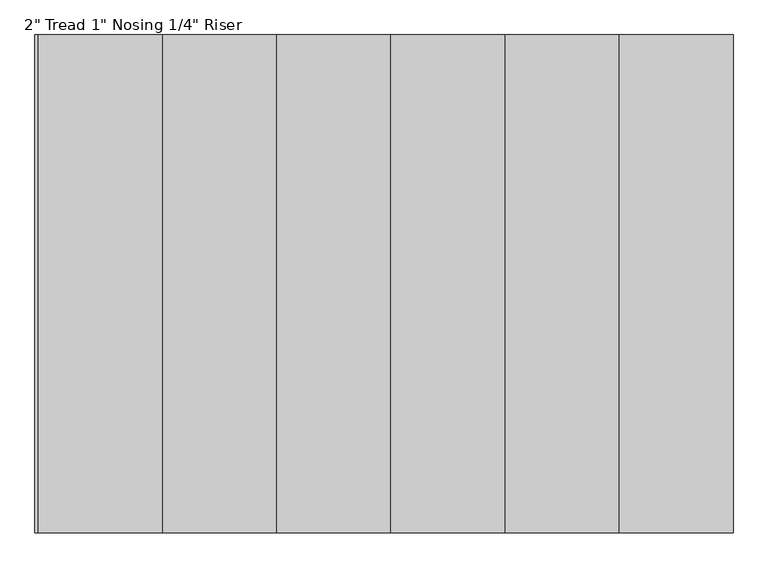
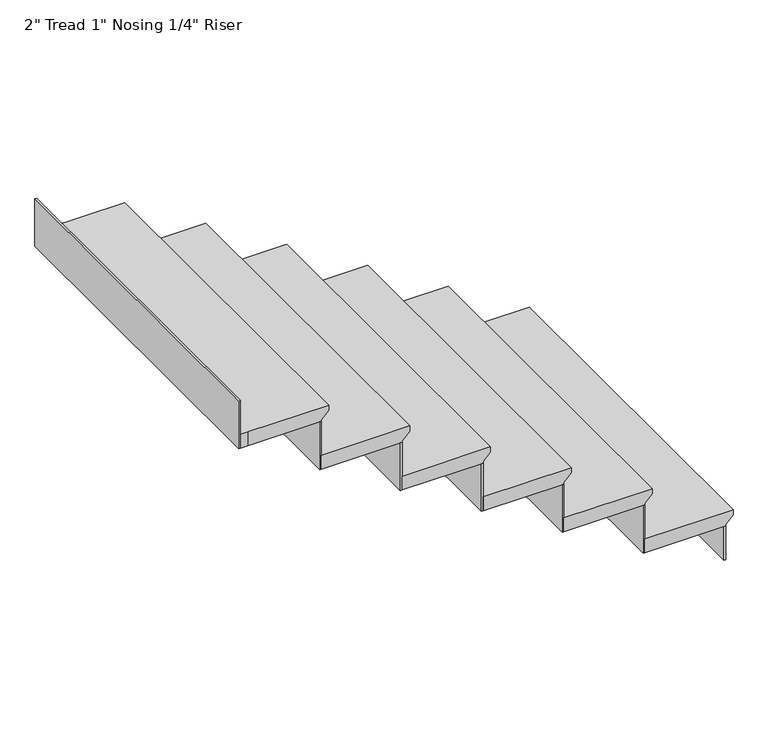
"""IFC4 building model written with IfcOpenShell, lengths in millimetres: stair flight geometry."""

from ifc_helpers import new_model, si_unit, origin, place, context, project, spatial, faceted_brep, source, transform, mapped, element, save


def stair_flight_985d9d65(model_context):
    return source(origin(), model_context, "Body", "Brep", [
        faceted_brep([(6344.8601743, -3020.5507921, 155.1214286), (6344.8601743, -3020.5507921, 174.1714286), (6344.8601743, -4239.7507921, 174.1714286), (6344.8601743, -4239.7507921, 155.1214286), (6319.4601743, -3020.5507921, 129.7214286), (6319.4601743, -4239.7507921, 129.7214286), (6040.0601743, -3020.5507921, 174.1714286), (6040.0601743, -4239.7507921, 174.1714286), (6319.4601743, -4239.7507921, 123.3714286), (6040.0601743, -4239.7507921, 123.3714286), (6040.0601743, -3020.5507921, 123.3714286), (6319.4601743, -3020.5507921, 123.3714286)], [[[0, 1, 2, 3]], [[4, 0, 3, 5]], [[2, 1, 6, 7]], [[8, 9, 10, 11]], [[2, 7, 9, 8, 5, 3]], [[8, 11, 4, 5]], [[6, 1, 0, 4, 11, 10]], [[7, 6, 10, 9]]]),
        faceted_brep([(6319.4601743, -3020.5507921, 123.3714286), (6319.4601743, -3020.5507921, 0.0), (6313.1101743, -3020.5507921, 0.0), (6313.1101743, -3020.5507921, 123.3714286), (6319.4601743, -4239.7507921, 123.3714286), (6313.1101743, -4239.7507921, 123.3714286), (6313.1101743, -4239.7507921, 0.0), (6319.4601743, -4239.7507921, 0.0)], [[[0, 1, 2, 3]], [[4, 5, 6, 7]], [[1, 0, 4, 7]], [[2, 1, 7, 6]], [[3, 2, 6, 5]], [[0, 3, 5, 4]]]),
        faceted_brep([(6040.0601743, -3020.5507921, 297.5428571), (6040.0601743, -3020.5507921, 123.3714286), (6033.7101743, -3020.5507921, 123.3714286), (6033.7101743, -3020.5507921, 297.5428571), (6040.0601743, -4239.7507921, 297.5428571), (6033.7101743, -4239.7507921, 297.5428571), (6033.7101743, -4239.7507921, 123.3714286), (6040.0601743, -4239.7507921, 123.3714286)], [[[0, 1, 2, 3]], [[4, 5, 6, 7]], [[1, 0, 4, 7]], [[2, 1, 7, 6]], [[3, 2, 6, 5]], [[0, 3, 5, 4]]]),
        faceted_brep([(6065.4601743, -4239.7507921, 348.3428571), (6065.4601743, -3020.5507921, 348.3428571), (5760.6601743, -3020.5507921, 348.3428571), (5760.6601743, -4239.7507921, 348.3428571), (6040.0601743, -4239.7507921, 297.5428571), (5760.6601743, -4239.7507921, 297.5428571), (5760.6601743, -3020.5507921, 297.5428571), (6040.0601743, -3020.5507921, 297.5428571), (6040.0601743, -4239.7507921, 303.8928571), (6065.4601743, -4239.7507921, 329.2928571), (6040.0601743, -3020.5507921, 303.8928571), (6065.4601743, -3020.5507921, 329.2928571)], [[[0, 1, 2, 3]], [[4, 5, 6, 7]], [[0, 3, 5, 4, 8, 9]], [[4, 7, 10, 8]], [[2, 1, 11, 10, 7, 6]], [[3, 2, 6, 5]], [[11, 1, 0, 9]], [[10, 11, 9, 8]]]),
        faceted_brep([(5760.6601743, -3020.5507921, 471.7142857), (5760.6601743, -3020.5507921, 297.5428571), (5754.3101743, -3020.5507921, 297.5428571), (5754.3101743, -3020.5507921, 471.7142857), (5760.6601743, -4239.7507921, 471.7142857), (5754.3101743, -4239.7507921, 471.7142857), (5754.3101743, -4239.7507921, 297.5428571), (5760.6601743, -4239.7507921, 297.5428571)], [[[0, 1, 2, 3]], [[4, 5, 6, 7]], [[1, 0, 4, 7]], [[2, 1, 7, 6]], [[3, 2, 6, 5]], [[0, 3, 5, 4]]]),
        faceted_brep([(5786.0601743, -4239.7507921, 522.5142857), (5786.0601743, -3020.5507921, 522.5142857), (5481.2601743, -3020.5507921, 522.5142857), (5481.2601743, -4239.7507921, 522.5142857), (5760.6601743, -4239.7507921, 471.7142857), (5481.2601743, -4239.7507921, 471.7142857), (5481.2601743, -3020.5507921, 471.7142857), (5760.6601743, -3020.5507921, 471.7142857), (5760.6601743, -4239.7507921, 478.0642857), (5786.0601743, -4239.7507921, 503.4642857), (5760.6601743, -3020.5507921, 478.0642857), (5786.0601743, -3020.5507921, 503.4642857)], [[[0, 1, 2, 3]], [[4, 5, 6, 7]], [[0, 3, 5, 4, 8, 9]], [[4, 7, 10, 8]], [[2, 1, 11, 10, 7, 6]], [[3, 2, 6, 5]], [[11, 1, 0, 9]], [[10, 11, 9, 8]]]),
        faceted_brep([(5481.2601743, -3020.5507921, 645.8857143), (5481.2601743, -3020.5507921, 471.7142857), (5474.9101743, -3020.5507921, 471.7142857), (5474.9101743, -3020.5507921, 645.8857143), (5481.2601743, -4239.7507921, 645.8857143), (5474.9101743, -4239.7507921, 645.8857143), (5474.9101743, -4239.7507921, 471.7142857), (5481.2601743, -4239.7507921, 471.7142857)], [[[0, 1, 2, 3]], [[4, 5, 6, 7]], [[1, 0, 4, 7]], [[2, 1, 7, 6]], [[3, 2, 6, 5]], [[0, 3, 5, 4]]]),
        faceted_brep([(5506.6601743, -4239.7507921, 696.6857143), (5506.6601743, -3020.5507921, 696.6857143), (5201.8601743, -3020.5507921, 696.6857143), (5201.8601743, -4239.7507921, 696.6857143), (5481.2601743, -4239.7507921, 645.8857143), (5201.8601743, -4239.7507921, 645.8857143), (5201.8601743, -3020.5507921, 645.8857143), (5481.2601743, -3020.5507921, 645.8857143), (5481.2601743, -4239.7507921, 652.2357143), (5506.6601743, -4239.7507921, 677.6357143), (5481.2601743, -3020.5507921, 652.2357143), (5506.6601743, -3020.5507921, 677.6357143)], [[[0, 1, 2, 3]], [[4, 5, 6, 7]], [[0, 3, 5, 4, 8, 9]], [[4, 7, 10, 8]], [[2, 1, 11, 10, 7, 6]], [[3, 2, 6, 5]], [[11, 1, 0, 9]], [[10, 11, 9, 8]]]),
        faceted_brep([(5201.8601743, -3020.5507921, 820.0571429), (5201.8601743, -3020.5507921, 645.8857143), (5195.5101743, -3020.5507921, 645.8857143), (5195.5101743, -3020.5507921, 820.0571429), (5201.8601743, -4239.7507921, 820.0571429), (5195.5101743, -4239.7507921, 820.0571429), (5195.5101743, -4239.7507921, 645.8857143), (5201.8601743, -4239.7507921, 645.8857143)], [[[0, 1, 2, 3]], [[4, 5, 6, 7]], [[1, 0, 4, 7]], [[2, 1, 7, 6]], [[3, 2, 6, 5]], [[0, 3, 5, 4]]]),
        faceted_brep([(5227.2601743, -4239.7507921, 870.8571429), (5227.2601743, -3020.5507921, 870.8571429), (4922.4601743, -3020.5507921, 870.8571429), (4922.4601743, -4239.7507921, 870.8571429), (5201.8601743, -4239.7507921, 820.0571429), (4922.4601743, -4239.7507921, 820.0571429), (4922.4601743, -3020.5507921, 820.0571429), (5201.8601743, -3020.5507921, 820.0571429), (5201.8601743, -4239.7507921, 826.4071429), (5227.2601743, -4239.7507921, 851.8071429), (5201.8601743, -3020.5507921, 826.4071429), (5227.2601743, -3020.5507921, 851.8071429)], [[[0, 1, 2, 3]], [[4, 5, 6, 7]], [[0, 3, 5, 4, 8, 9]], [[4, 7, 10, 8]], [[2, 1, 11, 10, 7, 6]], [[3, 2, 6, 5]], [[11, 1, 0, 9]], [[10, 11, 9, 8]]]),
        faceted_brep([(4922.4601743, -3020.5507921, 994.2285714), (4922.4601743, -3020.5507921, 820.0571429), (4916.1101743, -3020.5507921, 820.0571429), (4916.1101743, -3020.5507921, 994.2285714), (4922.4601743, -4239.7507921, 994.2285714), (4916.1101743, -4239.7507921, 994.2285714), (4916.1101743, -4239.7507921, 820.0571429), (4922.4601743, -4239.7507921, 820.0571429)], [[[0, 1, 2, 3]], [[4, 5, 6, 7]], [[1, 0, 4, 7]], [[2, 1, 7, 6]], [[3, 2, 6, 5]], [[0, 3, 5, 4]]]),
        faceted_brep([(4643.0601743, -3020.5507921, 1168.4), (4643.0601743, -3020.5507921, 994.2285714), (4636.7101743, -3020.5507921, 994.2285714), (4636.7101743, -3020.5507921, 1168.4), (4643.0601743, -4239.7507921, 1168.4), (4636.7101743, -4239.7507921, 1168.4), (4636.7101743, -4239.7507921, 994.2285714), (4643.0601743, -4239.7507921, 994.2285714)], [[[0, 1, 2, 3]], [[4, 5, 6, 7]], [[1, 0, 4, 7]], [[2, 1, 7, 6]], [[3, 2, 6, 5]], [[0, 3, 5, 4]]]),
        faceted_brep([(4643.0601743, -4239.7507921, 1045.0285714), (4668.4601743, -4239.7507921, 1045.0285714), (4947.8601743, -4239.7507921, 1045.0285714), (4947.8601743, -3020.5507921, 1045.0285714), (4668.4601743, -3020.5507921, 1045.0285714), (4643.0601743, -3020.5507921, 1045.0285714), (4668.4601743, -4239.7507921, 994.2285714), (4643.0601743, -4239.7507921, 994.2285714), (4643.0601743, -3020.5507921, 994.2285714), (4668.4601743, -3020.5507921, 994.2285714), (4922.4601743, -3020.5507921, 994.2285714), (4922.4601743, -4239.7507921, 994.2285714), (4922.4601743, -3020.5507921, 1000.5785714), (4922.4601743, -4239.7507921, 1000.5785714), (4947.8601743, -3020.5507921, 1025.9785714), (4947.8601743, -4239.7507921, 1025.9785714)], [[[0, 1, 2, 3, 4, 5]], [[6, 7, 8, 9, 10, 11]], [[1, 0, 7, 6]], [[11, 10, 12, 13]], [[4, 3, 14, 12, 10, 9]], [[5, 4, 9, 8]], [[0, 5, 8, 7]], [[14, 3, 2, 15]], [[12, 14, 15, 13]], [[2, 1, 6, 11, 13, 15]]]),
    ])


if __name__ == "__main__":
    model = new_model("IFC4")
    model_context = context("Model", 3, world=origin())
    ifc_project = project(units=[si_unit("LENGTHUNIT", "METRE", prefix="MILLI")], contexts=[model_context])
    site = spatial("IfcSite", under=ifc_project)
    building = spatial("IfcBuilding", under=site)
    placement = place(None, origin())
    stair_flight_shape = stair_flight_985d9d65(model_context)
    element("IfcStairFlight", 1, ObjectType="2\" Tread 1\" Nosing 1/4\" Riser", at=placement, inside=building, context=model_context, shape_type="MappedRepresentation", body=[
        mapped(stair_flight_shape, transform((0.0, 0.0, 0.0), x_axis=(1.0, 0.0, 0.0), y_axis=(0.0, 1.0, 0.0), z_axis=(0.0, 0.0, 1.0))),
    ])
    save(model, "model.ifc")
